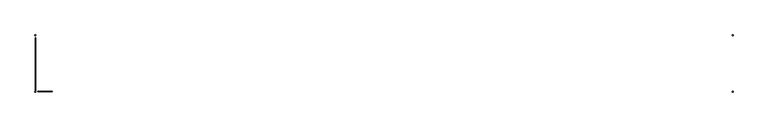
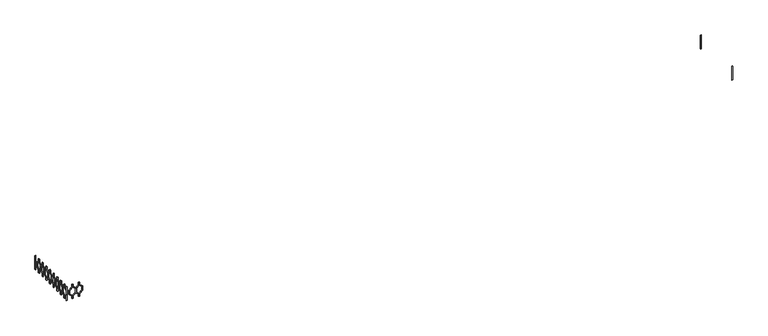
"""IFC4 building model written with IfcOpenShell, lengths in millimetres: railing geometry."""

from ifc_helpers import new_model, si_unit, frame, origin, place, context, project, spatial, polyline, outline, extrude, source, transform, mapped, element, save


def railing_615b5d59(model_context):
    return source(origin(), model_context, "Body", "SweptSolid", [
        extrude(outline(polyline([(28713.0, -40724.9887159), (28623.448155, -40724.9887159), (28543.448155, -40625.9937665), (28422.551845, -40625.9937665), (28342.551845, -40724.9887159), (28253.0, -40724.9887159), (28253.0, -40704.9887159), (28333.0, -40704.9887159), (28413.0, -40605.9937665), (28553.0, -40605.9937665), (28633.0, -40704.9887159), (28713.0, -40704.9887159), (28713.0, -40724.9887159)])), frame((0.0, -16741.8920513, 0.0), z_axis=(0.0, 1.0, 0.0), x_axis=(0.0, 0.0, 1.0)), (0.0, 0.0, 1.0), 20.0),
        extrude(outline(polyline([(28713.0, -40724.9887159), (28713.0, -40744.9887159), (28633.0, -40744.9887159), (28553.0, -40843.9836653), (28413.0, -40843.9836653), (28333.0, -40744.9887159), (28253.0, -40744.9887159), (28253.0, -40724.9887159), (28342.551845, -40724.9887159), (28422.551845, -40823.9836653), (28543.448155, -40823.9836653), (28623.448155, -40724.9887159), (28713.0, -40724.9887159)])), frame((0.0, -16741.8920513, 0.0), z_axis=(0.0, 1.0, 0.0), x_axis=(0.0, 0.0, 1.0)), (0.0, 0.0, 1.0), 20.0),
        extrude(outline(polyline([(28713.0, -40924.9887159), (28623.448155, -40924.9887159), (28543.448155, -40825.9937665), (28422.551845, -40825.9937665), (28342.551845, -40924.9887159), (28253.0, -40924.9887159), (28253.0, -40904.9887159), (28333.0, -40904.9887159), (28413.0, -40805.9937665), (28553.0, -40805.9937665), (28633.0, -40904.9887159), (28713.0, -40904.9887159), (28713.0, -40924.9887159)])), frame((0.0, -16741.8920513, 0.0), z_axis=(0.0, 1.0, 0.0), x_axis=(0.0, 0.0, 1.0)), (0.0, 0.0, 1.0), 20.0),
        extrude(outline(polyline([(28713.0, -40924.9887159), (28713.0, -40944.9887159), (28633.0, -40944.9887159), (28553.0, -41043.9836653), (28413.0, -41043.9836653), (28333.0, -40944.9887159), (28253.0, -40944.9887159), (28253.0, -40924.9887159), (28342.551845, -40924.9887159), (28422.551845, -41023.9836653), (28543.448155, -41023.9836653), (28623.448155, -40924.9887159), (28713.0, -40924.9887159)])), frame((0.0, -16741.8920513, 0.0), z_axis=(0.0, 1.0, 0.0), x_axis=(0.0, 0.0, 1.0)), (0.0, 0.0, 1.0), 20.0),
        extrude(outline(polyline([(-16616.8920513, 28713.0), (-16616.8920513, 28623.448155), (-16715.8870007, 28543.448155), (-16715.8870007, 28422.551845), (-16616.8920513, 28342.551845), (-16616.8920513, 28253.0), (-16636.8920513, 28253.0), (-16636.8920513, 28333.0), (-16735.8870007, 28413.0), (-16735.8870007, 28553.0), (-16636.8920513, 28633.0), (-16636.8920513, 28713.0), (-16616.8920513, 28713.0)])), frame((-41124.9887159, 0.0, 0.0), z_axis=(1.0, 0.0, 0.0), x_axis=(0.0, 1.0, 0.0)), (0.0, 0.0, 1.0), 20.0),
        extrude(outline(polyline([(-16616.8920513, 28713.0), (-16596.8920513, 28713.0), (-16596.8920513, 28633.0), (-16497.897102, 28553.0), (-16497.897102, 28413.0), (-16596.8920513, 28333.0), (-16596.8920513, 28253.0), (-16616.8920513, 28253.0), (-16616.8920513, 28342.551845), (-16517.897102, 28422.551845), (-16517.897102, 28543.448155), (-16616.8920513, 28623.448155), (-16616.8920513, 28713.0)])), frame((-41124.9887159, 0.0, 0.0), z_axis=(1.0, 0.0, 0.0), x_axis=(0.0, 1.0, 0.0)), (0.0, 0.0, 1.0), 20.0),
        extrude(outline(polyline([(-16416.8920513, 28713.0), (-16416.8920513, 28623.448155), (-16515.8870007, 28543.448155), (-16515.8870007, 28422.551845), (-16416.8920513, 28342.551845), (-16416.8920513, 28253.0), (-16436.8920513, 28253.0), (-16436.8920513, 28333.0), (-16535.8870007, 28413.0), (-16535.8870007, 28553.0), (-16436.8920513, 28633.0), (-16436.8920513, 28713.0), (-16416.8920513, 28713.0)])), frame((-41124.9887159, 0.0, 0.0), z_axis=(1.0, 0.0, 0.0), x_axis=(0.0, 1.0, 0.0)), (0.0, 0.0, 1.0), 20.0),
        extrude(outline(polyline([(-16416.8920513, 28713.0), (-16396.8920513, 28713.0), (-16396.8920513, 28633.0), (-16297.897102, 28553.0), (-16297.897102, 28413.0), (-16396.8920513, 28333.0), (-16396.8920513, 28253.0), (-16416.8920513, 28253.0), (-16416.8920513, 28342.551845), (-16317.897102, 28422.551845), (-16317.897102, 28543.448155), (-16416.8920513, 28623.448155), (-16416.8920513, 28713.0)])), frame((-41124.9887159, 0.0, 0.0), z_axis=(1.0, 0.0, 0.0), x_axis=(0.0, 1.0, 0.0)), (0.0, 0.0, 1.0), 20.0),
        extrude(outline(polyline([(-16216.8920513, 28713.0), (-16216.8920513, 28623.448155), (-16315.8870007, 28543.448155), (-16315.8870007, 28422.551845), (-16216.8920513, 28342.551845), (-16216.8920513, 28253.0), (-16236.8920513, 28253.0), (-16236.8920513, 28333.0), (-16335.8870007, 28413.0), (-16335.8870007, 28553.0), (-16236.8920513, 28633.0), (-16236.8920513, 28713.0), (-16216.8920513, 28713.0)])), frame((-41124.9887159, 0.0, 0.0), z_axis=(1.0, 0.0, 0.0), x_axis=(0.0, 1.0, 0.0)), (0.0, 0.0, 1.0), 20.0),
        extrude(outline(polyline([(-16216.8920513, 28713.0), (-16196.8920513, 28713.0), (-16196.8920513, 28633.0), (-16097.897102, 28553.0), (-16097.897102, 28413.0), (-16196.8920513, 28333.0), (-16196.8920513, 28253.0), (-16216.8920513, 28253.0), (-16216.8920513, 28342.551845), (-16117.897102, 28422.551845), (-16117.897102, 28543.448155), (-16216.8920513, 28623.448155), (-16216.8920513, 28713.0)])), frame((-41124.9887159, 0.0, 0.0), z_axis=(1.0, 0.0, 0.0), x_axis=(0.0, 1.0, 0.0)), (0.0, 0.0, 1.0), 20.0),
        extrude(outline(polyline([(-16016.8920513, 28713.0), (-16016.8920513, 28623.448155), (-16115.8870007, 28543.448155), (-16115.8870007, 28422.551845), (-16016.8920513, 28342.551845), (-16016.8920513, 28253.0), (-16036.8920513, 28253.0), (-16036.8920513, 28333.0), (-16135.8870007, 28413.0), (-16135.8870007, 28553.0), (-16036.8920513, 28633.0), (-16036.8920513, 28713.0), (-16016.8920513, 28713.0)])), frame((-41124.9887159, 0.0, 0.0), z_axis=(1.0, 0.0, 0.0), x_axis=(0.0, 1.0, 0.0)), (0.0, 0.0, 1.0), 20.0),
        extrude(outline(polyline([(-16016.8920513, 28713.0), (-15996.8920513, 28713.0), (-15996.8920513, 28633.0), (-15897.897102, 28553.0), (-15897.897102, 28413.0), (-15996.8920513, 28333.0), (-15996.8920513, 28253.0), (-16016.8920513, 28253.0), (-16016.8920513, 28342.551845), (-15917.897102, 28422.551845), (-15917.897102, 28543.448155), (-16016.8920513, 28623.448155), (-16016.8920513, 28713.0)])), frame((-41124.9887159, 0.0, 0.0), z_axis=(1.0, 0.0, 0.0), x_axis=(0.0, 1.0, 0.0)), (0.0, 0.0, 1.0), 20.0),
        extrude(outline(polyline([(-15816.8920513, 28713.0), (-15816.8920513, 28623.448155), (-15915.8870007, 28543.448155), (-15915.8870007, 28422.551845), (-15816.8920513, 28342.551845), (-15816.8920513, 28253.0), (-15836.8920513, 28253.0), (-15836.8920513, 28333.0), (-15935.8870007, 28413.0), (-15935.8870007, 28553.0), (-15836.8920513, 28633.0), (-15836.8920513, 28713.0), (-15816.8920513, 28713.0)])), frame((-41124.9887159, 0.0, 0.0), z_axis=(1.0, 0.0, 0.0), x_axis=(0.0, 1.0, 0.0)), (0.0, 0.0, 1.0), 20.0),
        extrude(outline(polyline([(-15816.8920513, 28713.0), (-15796.8920513, 28713.0), (-15796.8920513, 28633.0), (-15697.897102, 28553.0), (-15697.897102, 28413.0), (-15796.8920513, 28333.0), (-15796.8920513, 28253.0), (-15816.8920513, 28253.0), (-15816.8920513, 28342.551845), (-15717.897102, 28422.551845), (-15717.897102, 28543.448155), (-15816.8920513, 28623.448155), (-15816.8920513, 28713.0)])), frame((-41124.9887159, 0.0, 0.0), z_axis=(1.0, 0.0, 0.0), x_axis=(0.0, 1.0, 0.0)), (0.0, 0.0, 1.0), 20.0),
        extrude(outline(polyline([(-15616.8920513, 28713.0), (-15616.8920513, 28623.448155), (-15715.8870007, 28543.448155), (-15715.8870007, 28422.551845), (-15616.8920513, 28342.551845), (-15616.8920513, 28253.0), (-15636.8920513, 28253.0), (-15636.8920513, 28333.0), (-15735.8870007, 28413.0), (-15735.8870007, 28553.0), (-15636.8920513, 28633.0), (-15636.8920513, 28713.0), (-15616.8920513, 28713.0)])), frame((-41124.9887159, 0.0, 0.0), z_axis=(1.0, 0.0, 0.0), x_axis=(0.0, 1.0, 0.0)), (0.0, 0.0, 1.0), 20.0),
        extrude(outline(polyline([(-15616.8920513, 28713.0), (-15596.8920513, 28713.0), (-15596.8920513, 28633.0), (-15497.897102, 28553.0), (-15497.897102, 28413.0), (-15596.8920513, 28333.0), (-15596.8920513, 28253.0), (-15616.8920513, 28253.0), (-15616.8920513, 28342.551845), (-15517.897102, 28422.551845), (-15517.897102, 28543.448155), (-15616.8920513, 28623.448155), (-15616.8920513, 28713.0)])), frame((-41124.9887159, 0.0, 0.0), z_axis=(1.0, 0.0, 0.0), x_axis=(0.0, 1.0, 0.0)), (0.0, 0.0, 1.0), 20.0),
        extrude(outline(polyline([(-15416.8920513, 28713.0), (-15416.8920513, 28623.448155), (-15515.8870007, 28543.448155), (-15515.8870007, 28422.551845), (-15416.8920513, 28342.551845), (-15416.8920513, 28253.0), (-15436.8920513, 28253.0), (-15436.8920513, 28333.0), (-15535.8870007, 28413.0), (-15535.8870007, 28553.0), (-15436.8920513, 28633.0), (-15436.8920513, 28713.0), (-15416.8920513, 28713.0)])), frame((-41124.9887159, 0.0, 0.0), z_axis=(1.0, 0.0, 0.0), x_axis=(0.0, 1.0, 0.0)), (0.0, 0.0, 1.0), 20.0),
        extrude(outline(polyline([(-15416.8920513, 28713.0), (-15396.8920513, 28713.0), (-15396.8920513, 28633.0), (-15297.897102, 28553.0), (-15297.897102, 28413.0), (-15396.8920513, 28333.0), (-15396.8920513, 28253.0), (-15416.8920513, 28253.0), (-15416.8920513, 28342.551845), (-15317.897102, 28422.551845), (-15317.897102, 28543.448155), (-15416.8920513, 28623.448155), (-15416.8920513, 28713.0)])), frame((-41124.9887159, 0.0, 0.0), z_axis=(1.0, 0.0, 0.0), x_axis=(0.0, 1.0, 0.0)), (0.0, 0.0, 1.0), 20.0),
        extrude(outline(polyline([(-15216.8920513, 28713.0), (-15216.8920513, 28623.448155), (-15315.8870007, 28543.448155), (-15315.8870007, 28422.551845), (-15216.8920513, 28342.551845), (-15216.8920513, 28253.0), (-15236.8920513, 28253.0), (-15236.8920513, 28333.0), (-15335.8870007, 28413.0), (-15335.8870007, 28553.0), (-15236.8920513, 28633.0), (-15236.8920513, 28713.0), (-15216.8920513, 28713.0)])), frame((-41124.9887159, 0.0, 0.0), z_axis=(1.0, 0.0, 0.0), x_axis=(0.0, 1.0, 0.0)), (0.0, 0.0, 1.0), 20.0),
        extrude(outline(polyline([(-15216.8920513, 28713.0), (-15196.8920513, 28713.0), (-15196.8920513, 28633.0), (-15097.897102, 28553.0), (-15097.897102, 28413.0), (-15196.8920513, 28333.0), (-15196.8920513, 28253.0), (-15216.8920513, 28253.0), (-15216.8920513, 28342.551845), (-15117.897102, 28422.551845), (-15117.897102, 28543.448155), (-15216.8920513, 28623.448155), (-15216.8920513, 28713.0)])), frame((-41124.9887159, 0.0, 0.0), z_axis=(1.0, 0.0, 0.0), x_axis=(0.0, 1.0, 0.0)), (0.0, 0.0, 1.0), 20.0),
        extrude(outline(polyline([(-19964.9887159, -16751.8920513), (-19964.9887159, -16731.8920513), (-19944.9887159, -16731.8920513), (-19944.9887159, -16751.8920513), (-19964.9887159, -16751.8920513)])), frame((0.0, 0.0, 28253.0), z_axis=(0.0, 0.0, 1.0), x_axis=(1.0, 0.0, 0.0)), (0.0, 0.0, 1.0), 460.0),
        extrude(outline(polyline([(-41134.9887159, -16731.8920513), (-41114.9887159, -16731.8920513), (-41114.9887159, -16751.8920513), (-41134.9887159, -16751.8920513), (-41134.9887159, -16731.8920513)])), frame((0.0, 0.0, 28253.0), z_axis=(0.0, 0.0, 1.0), x_axis=(1.0, 0.0, 0.0)), (0.0, 0.0, 1.0), 460.0),
        extrude(outline(polyline([(-19944.9887159, -15036.8920513), (-19964.9887159, -15036.8920513), (-19964.9887159, -15016.8920513), (-19944.9887159, -15016.8920513), (-19944.9887159, -15036.8920513)])), frame((0.0, 0.0, 28253.0), z_axis=(0.0, 0.0, 1.0), x_axis=(1.0, 0.0, 0.0)), (0.0, 0.0, 1.0), 460.0),
        extrude(outline(polyline([(-41134.9887159, -15016.8920513), (-41114.9887159, -15016.8920513), (-41114.9887159, -15036.8920513), (-41134.9887159, -15036.8920513), (-41134.9887159, -15016.8920513)])), frame((0.0, 0.0, 28253.0), z_axis=(0.0, 0.0, 1.0), x_axis=(1.0, 0.0, 0.0)), (0.0, 0.0, 1.0), 460.0),
    ])


if __name__ == "__main__":
    model = new_model("IFC4")
    model_context = context("Model", 3, world=origin())
    ifc_project = project(units=[si_unit("LENGTHUNIT", "METRE", prefix="MILLI")], contexts=[model_context])
    site = spatial("IfcSite", under=ifc_project)
    building = spatial("IfcBuilding", under=site)
    placement = place(None, origin())
    railing_shape = railing_615b5d59(model_context)
    element("IfcRailing", 1, at=placement, inside=building, context=model_context, shape_type="MappedRepresentation", body=[
        mapped(railing_shape, transform((0.0, 0.0, 0.0), x_axis=(1.0, 0.0, 0.0), y_axis=(0.0, 1.0, 0.0), z_axis=(0.0, 0.0, 1.0))),
    ])
    save(model, "model.ifc")
